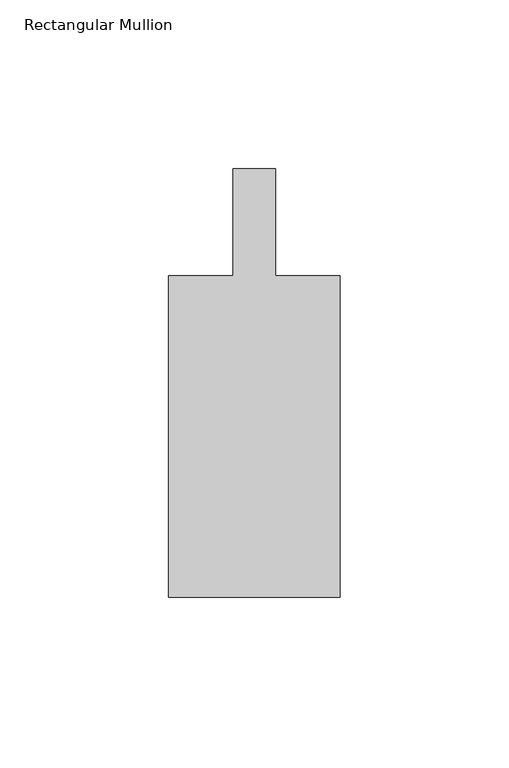
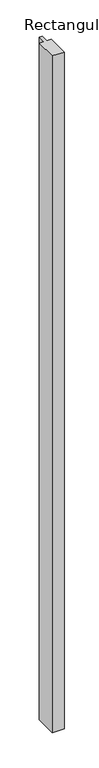
"""IFC4 building model written with IfcOpenShell, lengths in millimetres: member geometry, Rectangular Mullion."""

from ifc_helpers import new_model, si_unit, frame, origin, place, context, project, spatial, polyline, outline, extrude, source, transform, mapped, element, save


def rectangular_mullion_03bf2b23(model_context):
    return source(origin(), model_context, "Body", "SweptSolid", [
        extrude(outline(polyline([(25.4, -152.4), (-25.4, -152.4), (-25.4, -57.15), (-6.35, -57.15), (-6.35, -25.4), (6.35, -25.4), (6.35, -57.15), (25.4, -57.15), (25.4, -152.4)])), frame((0.0, 0.0, -3048.0), z_axis=(0.0, 0.0, 1.0), x_axis=(1.0, 0.0, 0.0)), (0.0, 0.0, 1.0), 3048.0),
    ])


if __name__ == "__main__":
    model = new_model("IFC4")
    model_context = context("Model", 3, world=origin())
    ifc_project = project(units=[si_unit("LENGTHUNIT", "METRE", prefix="MILLI")], contexts=[model_context])
    site = spatial("IfcSite", under=ifc_project)
    building = spatial("IfcBuilding", under=site)
    placement = place(None, origin())
    rectangular_mullion_shape = rectangular_mullion_03bf2b23(model_context)
    element("IfcMember", 1, ObjectType="Rectangular Mullion", at=placement, inside=building, context=model_context, shape_type="MappedRepresentation", body=[
        mapped(rectangular_mullion_shape, transform((0.0, 0.0, 0.0), x_axis=(1.0, 0.0, 0.0), y_axis=(0.0, 1.0, 0.0), z_axis=(0.0, 0.0, 1.0))),
    ])
    save(model, "model.ifc")
